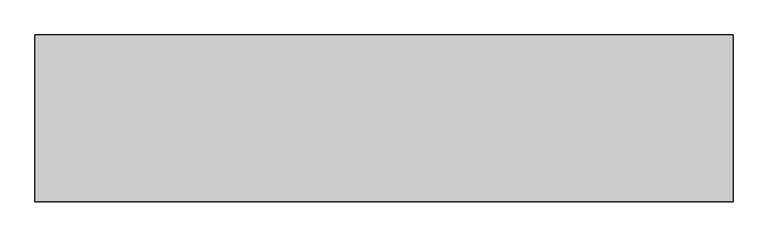
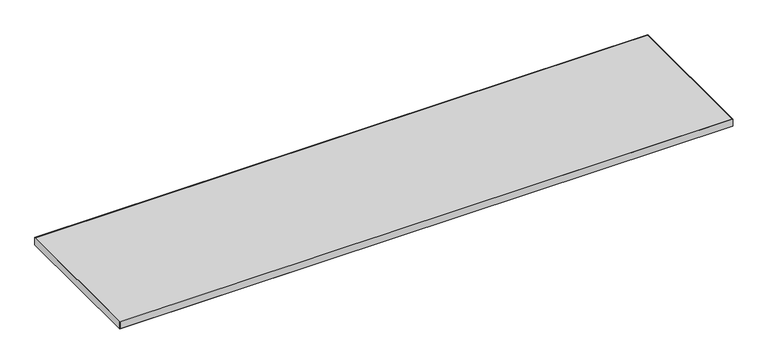
"""IFC4 building model written with IfcOpenShell, lengths in millimetres: furniture geometry."""

from ifc_helpers import new_model, si_unit, frame, origin, place, context, project, spatial, polyline, outline, extrude, source, transform, mapped, element, save


def furniture_891836f4(model_context):
    return source(origin(), model_context, "Body", "SweptSolid", [
        extrude(outline(polyline([(1971.1273996, 176.2916812), (-461.0242004, 176.2916812), (-461.0242004, 757.2912812), (1971.1273996, 757.2912812), (1971.1273996, 176.2916812)])), frame((0.0, 0.0, 707.0328125), z_axis=(0.0, 0.0, 1.0), x_axis=(1.0, 0.0, 0.0)), (0.0, 0.0, 1.0), 29.5671875),
        extrude(outline(polyline([(1972.7148996, 758.8787812), (1972.7148996, 174.7041812), (-462.6117004, 174.7041812), (-462.6117004, 758.8787812), (1972.7148996, 758.8787812)]), holes=[polyline([(-461.0242004, 757.2912812), (-461.0242004, 176.2916812), (1971.1273996, 176.2916812), (1971.1273996, 757.2912812), (-461.0242004, 757.2912812)])]), frame((0.0, 0.0, 707.009), z_axis=(0.0, 0.0, 1.0), x_axis=(1.0, 0.0, 0.0)), (0.0, 0.0, 1.0), 29.591),
    ])


if __name__ == "__main__":
    model = new_model("IFC4")
    model_context = context("Model", 3, world=origin())
    ifc_project = project(units=[si_unit("LENGTHUNIT", "METRE", prefix="MILLI")], contexts=[model_context])
    site = spatial("IfcSite", under=ifc_project)
    building = spatial("IfcBuilding", under=site)
    placement = place(None, origin())
    furniture_shape = furniture_891836f4(model_context)
    element("IfcFurniture", 1, at=placement, inside=building, context=model_context, shape_type="MappedRepresentation", body=[
        mapped(furniture_shape, transform((0.0, 0.0, 0.0), x_axis=(1.0, 0.0, 0.0), y_axis=(0.0, 1.0, 0.0), z_axis=(0.0, 0.0, 1.0))),
    ])
    save(model, "model.ifc")
